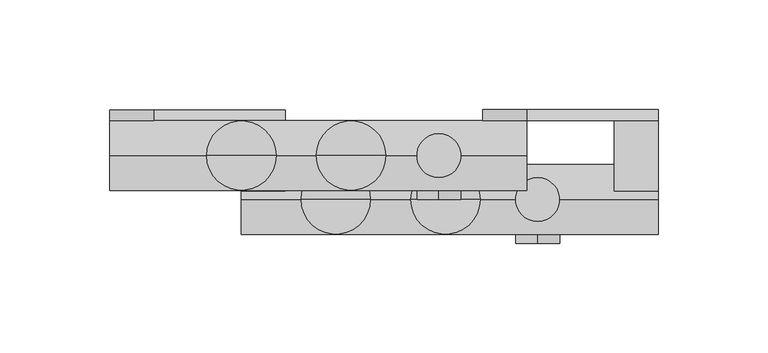
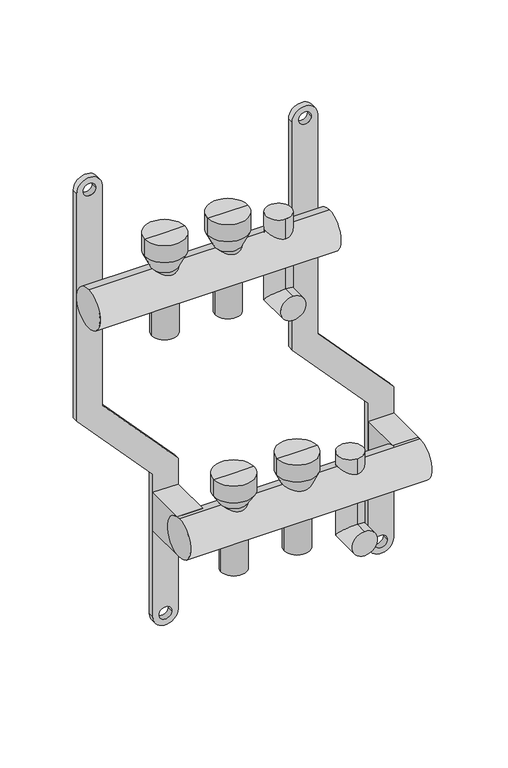
"""IFC4 building model written with IfcOpenShell, lengths in millimetres: proxy geometry."""

import ifcopenshell
import ifcopenshell.guid

model = None  # the IFC model being written
_history = None  # IfcOwnerHistory: only IFC2X3 demands one
_inside = {}  # id of a spatial element -> (the spatial element, [elements in it])
_under = {}  # id of a project, library or spatial element -> (it, [spatial elements below it])
_declared = {}  # id of a project -> (the project, [libraries it declares])
_typed = {}  # id of a type object -> (the type object, [elements of that type])
_made_of = {}  # id of a material, layer set ... -> (it, [elements and type objects made of it])


def new_model(schema):
    """Start an empty IFC model of exactly this schema.

    Asked for "IFC4X3", IfcOpenShell would pick the latest addendum, in which some entities
    have other attributes; the version numbers below select the first issue.
    IFC2X3 requires an IfcOwnerHistory on every rooted entity: one is made here for all.
    """
    global model, _history
    if schema == "IFC4X3":
        model = ifcopenshell.file(schema_version=(4, 3, 0, 0))
    else:
        model = ifcopenshell.file(schema=schema)
    _inside.clear()
    _under.clear()
    _declared.clear()
    _typed.clear()
    _made_of.clear()
    _history = None
    if model.schema == "IFC2X3":
        org = make("IfcOrganization", Name="unknown")
        user = make(
            "IfcPersonAndOrganization",
            ThePerson=make("IfcPerson", FamilyName="unknown"),
            TheOrganization=org,
        )
        app = make(
            "IfcApplication",
            ApplicationDeveloper=org,
            Version="unknown",
            ApplicationFullName="unknown",
            ApplicationIdentifier="unknown",
        )
        _history = make(
            "IfcOwnerHistory",
            OwningUser=user,
            OwningApplication=app,
            ChangeAction="ADDED",
            CreationDate=0,
        )
    return model


def make(cls, **values):
    """One entity of the class cls with the attributes given. An attribute that is None is left unset."""
    return model.create_entity(
        cls, **{name: value for name, value in values.items() if value is not None}
    )


def rooted(cls, **values):
    """An entity with a GlobalId (a new one), such as an element, a storey or a relation."""
    return make(cls, GlobalId=ifcopenshell.guid.new(), OwnerHistory=_history, **values)


def si_unit(unit_type, name, prefix=None):
    """IfcSIUnit, for example si_unit("LENGTHUNIT", "METRE", prefix="MILLI")."""
    return make("IfcSIUnit", UnitType=unit_type, Prefix=prefix, Name=name)


def assignment(units):
    """IfcUnitAssignment: the units of a project."""
    return None if units is None else make("IfcUnitAssignment", Units=units)


def point(xyz):
    """IfcCartesianPoint."""
    return None if xyz is None else make("IfcCartesianPoint", Coordinates=xyz)


def direction(xyz):
    """IfcDirection."""
    return None if xyz is None else make("IfcDirection", DirectionRatios=xyz)


def frame(location, z_axis=None, x_axis=None):
    """IfcAxis2Placement3D, a coordinate frame: its origin and axes. An axis left out is left unset."""
    return make(
        "IfcAxis2Placement3D",
        Location=point(location),
        Axis=direction(z_axis),
        RefDirection=direction(x_axis),
    )


def frame_2d(location, x_axis=None):
    """IfcAxis2Placement2D, a coordinate frame in the plane: its origin and x axis."""
    return make(
        "IfcAxis2Placement2D", Location=point(location), RefDirection=direction(x_axis)
    )


def origin():
    """The frame at (0, 0, 0) with its axes left unset."""
    return frame((0.0, 0.0, 0.0))


def origin_2d():
    """The frame at (0, 0) in the plane with its x axis left unset."""
    return frame_2d((0.0, 0.0))


def place(relative_to, where):
    """IfcLocalPlacement: puts the frame where relative to a parent placement (None: the world)."""
    return make(
        "IfcLocalPlacement", PlacementRelTo=relative_to, RelativePlacement=where
    )


def context(
    kind, dimensions, precision=None, world=None, true_north=None, identifier=None
):
    """IfcGeometricRepresentationContext, for example the 3D "Model" context."""
    return make(
        "IfcGeometricRepresentationContext",
        ContextIdentifier=identifier,
        ContextType=kind,
        CoordinateSpaceDimension=dimensions,
        Precision=precision,
        WorldCoordinateSystem=world,
        TrueNorth=true_north,
    )


def project(units=None, contexts=None):
    """IfcProject with its units and contexts."""
    return rooted(
        "IfcProject",
        Name="project",
        RepresentationContexts=contexts,
        UnitsInContext=assignment(units),
    )


def spatial(cls, under=None, at=None, **own):
    """A site, building, storey or space (cls), placed at a placement, below another one or the project."""
    s = rooted(cls, ObjectPlacement=at, **own)
    if under is not None:
        _under.setdefault(under.id(), (under, []))[1].append(s)
    return s


def polyline(points):
    """IfcPolyline through the points."""
    return make("IfcPolyline", Points=[point(p) for p in points])


def circle_curve(where, radius):
    """IfcCircle in the frame where."""
    return make("IfcCircle", Position=where, Radius=radius)


def ellipse_curve(where, semi_axis1, semi_axis2):
    """IfcEllipse in the frame where."""
    return make(
        "IfcEllipse", Position=where, SemiAxis1=semi_axis1, SemiAxis2=semi_axis2
    )


def trimmed(basis, trim1, trim2, sense, master):
    """IfcTrimmedCurve: the piece of a basis curve between two trims."""
    return make(
        "IfcTrimmedCurve",
        BasisCurve=basis,
        Trim1=trim1,
        Trim2=trim2,
        SenseAgreement=sense,
        MasterRepresentation=master,
    )


def segment(curve, same_sense, transition):
    """IfcCompositeCurveSegment."""
    return make(
        "IfcCompositeCurveSegment",
        Transition=transition,
        SameSense=same_sense,
        ParentCurve=curve,
    )


def composite_curve(segments, self_intersect=None):
    """IfcCompositeCurve: segments joined end to end."""
    return make("IfcCompositeCurve", Segments=segments, SelfIntersect=self_intersect)


def outline(outer, holes=None, kind="AREA"):
    """IfcArbitraryClosedProfileDef: a profile drawn as a closed curve; with holes, ...WithVoids."""
    if holes is None:
        return make("IfcArbitraryClosedProfileDef", ProfileType=kind, OuterCurve=outer)
    return make(
        "IfcArbitraryProfileDefWithVoids",
        ProfileType=kind,
        OuterCurve=outer,
        InnerCurves=holes,
    )


def extrude(swept, where, along, depth):
    """IfcExtrudedAreaSolid: the profile swept, set in the frame where, extruded along a direction by depth."""
    return make(
        "IfcExtrudedAreaSolid",
        SweptArea=swept,
        Position=where,
        ExtrudedDirection=direction(along),
        Depth=depth,
    )


def shape(context_of_items, identifier, shape_type, items):
    """IfcShapeRepresentation: the items that make up one representation, for example the "Body"."""
    return make(
        "IfcShapeRepresentation",
        ContextOfItems=context_of_items,
        RepresentationIdentifier=identifier,
        RepresentationType=shape_type,
        Items=items,
    )


def source(mapping_origin, context_of_items, identifier, shape_type, items):
    """IfcRepresentationMap: a shape defined once, which mapped items show again and again."""
    return make(
        "IfcRepresentationMap",
        MappingOrigin=mapping_origin,
        MappedRepresentation=shape(context_of_items, identifier, shape_type, items),
    )


def transform(
    local_origin,
    x_axis=None,
    y_axis=None,
    z_axis=None,
    scale=None,
    scale2=None,
    scale3=None,
    uniform=True,
):
    """IfcCartesianTransformationOperator3D, or its non-uniform kind. x_axis, y_axis, z_axis: its Axis1, 2, 3."""
    if uniform:
        return make(
            "IfcCartesianTransformationOperator3D",
            Axis1=direction(x_axis),
            Axis2=direction(y_axis),
            LocalOrigin=point(local_origin),
            Scale=scale,
            Axis3=direction(z_axis),
        )
    return make(
        "IfcCartesianTransformationOperator3DnonUniform",
        Axis1=direction(x_axis),
        Axis2=direction(y_axis),
        LocalOrigin=point(local_origin),
        Scale=scale,
        Axis3=direction(z_axis),
        Scale2=scale2,
        Scale3=scale3,
    )


def mapped(mapping_source, mapping_target):
    """IfcMappedItem: shows the shape of a source again, moved by a transform."""
    return make(
        "IfcMappedItem", MappingSource=mapping_source, MappingTarget=mapping_target
    )


def made_of(thing, what):
    """Note that an element or type object is made of a material, layer set ...; save() writes the relation."""
    if what is not None:
        _made_of.setdefault(what.id(), (what, []))[1].append(thing)
    return thing


def element(
    cls,
    number,
    at=None,
    inside=None,
    cuts=None,
    type_object=None,
    material=None,
    context=None,
    identifier="Body",
    shape_type=None,
    held_by="IfcProductDefinitionShape",
    body=None,
    shapes=None,
    **own,
):
    """One element of the class cls, such as IfcWall. Its Tag is "e" and its number.

    at: its placement. inside: the storey or other place that contains it. cuts: it is an
    opening in that element (IfcRelVoidsElement). A single representation is given by context,
    identifier, shape_type and body (its items); several are given by shapes. held_by: the class
    of the entity that holds the representations. save() writes the other relations.
    """
    e = rooted(cls, Tag="e%d" % number, ObjectPlacement=at, **own)
    if body is not None:
        shapes = [shape(context, identifier, shape_type, body)]
    if shapes is not None:
        e.Representation = make(held_by, Representations=shapes)
    if inside is not None:
        _inside.setdefault(inside.id(), (inside, []))[1].append(e)
    if cuts is not None:
        rooted(
            "IfcRelVoidsElement", RelatingBuildingElement=cuts, RelatedOpeningElement=e
        )
    if type_object is not None:
        _typed.setdefault(type_object.id(), (type_object, []))[1].append(e)
    return made_of(e, material)


def aggregate(whole, parts):
    """IfcRelAggregates: a whole, such as a stair, and the parts it consists of."""
    return rooted("IfcRelAggregates", RelatingObject=whole, RelatedObjects=parts)


def save(model, path):
    """Write the relations noted so far, then the file.

    IfcRelAggregates (storeys below a building ...), IfcRelContainedInSpatialStructure (elements
    in a storey), IfcRelDefinesByType, IfcRelAssociatesMaterial and IfcRelDeclares: one each for
    every whole, place, type object, material and project.
    """
    for whole, parts in _under.values():
        aggregate(whole, parts)
    for where, things in _inside.values():
        rooted(
            "IfcRelContainedInSpatialStructure",
            RelatedElements=things,
            RelatingStructure=where,
        )
    for kind, things in _typed.values():
        rooted("IfcRelDefinesByType", RelatedObjects=things, RelatingType=kind)
    for what, things in _made_of.values():
        rooted("IfcRelAssociatesMaterial", RelatedObjects=things, RelatingMaterial=what)
    for by, libraries in _declared.values():
        rooted("IfcRelDeclares", RelatingContext=by, RelatedDefinitions=libraries)
    model.write(path)


def plane_surface(at):
    """IfcPlane: the flat surface through the origin of the frame at, square to its z axis."""
    return make("IfcPlane", Position=at)


def cylinder_surface(at, radius):
    """IfcCylindricalSurface: all points at the distance radius from the z axis of the frame at."""
    return make("IfcCylindricalSurface", Position=at, Radius=radius)


def revolved_surface(curve, axis_point, axis_direction):
    """IfcSurfaceOfRevolution: the curve turned about the line through axis_point along axis_direction."""
    return make(
        "IfcSurfaceOfRevolution",
        SweptCurve=make("IfcArbitraryOpenProfileDef", ProfileType="CURVE", Curve=curve),
        AxisPosition=make("IfcAxis1Placement", Location=point(axis_point), Axis=direction(axis_direction)),
    )


def advanced_brep(points, edges, surfaces, faces):
    """IfcAdvancedBrep: a solid bounded by faces that lie on surfaces and meet in shared edges.

    An edge is (start, end): straight between two places in points (the first is 0);
    or (start, end, curve); or (start, end, curve, False) where it runs against its curve.
    A face is (place in surfaces, loops), or (place, loops, False) where it looks against
    its surface's normal. A loop lists edges by number (the first is 1), with a minus sign
    where the edge is run from its end to its start. The first loop is the outer one.
    """
    corners = [point(p) for p in points]
    vertices = [make("IfcVertexPoint", VertexGeometry=c) for c in corners]
    made = []
    for start, end, *more in edges:
        made.append(
            make(
                "IfcEdgeCurve",
                EdgeStart=vertices[start],
                EdgeEnd=vertices[end],
                EdgeGeometry=more[0] if more else make("IfcPolyline", Points=[corners[start], corners[end]]),
                SameSense=more[1] if len(more) > 1 else True,
            )
        )
    hull = []
    for where, loops, *sense in faces:
        bounds = []
        for j, loop in enumerate(loops):
            ring = [make("IfcOrientedEdge", EdgeElement=made[abs(k) - 1], Orientation=k > 0) for k in loop]
            bounds.append(
                make(
                    "IfcFaceOuterBound" if j == 0 else "IfcFaceBound",
                    Bound=make("IfcEdgeLoop", EdgeList=ring),
                    Orientation=True,
                )
            )
        hull.append(make("IfcAdvancedFace", Bounds=bounds, FaceSurface=surfaces[where], SameSense=sense[0] if sense else True))
    return make("IfcAdvancedBrep", Outer=make("IfcClosedShell", CfsFaces=hull))


def mechanical_equipment_41bf2a8d(model_context):
    return source(origin(), model_context, "Body", "SolidModel", [
        extrude(outline(composite_curve([segment(trimmed(circle_curve(frame_2d((86.2845679, 170.0)), 10.0), [point((86.2845679, 180.0))], [point((86.2845679, 160.0))], False, "CARTESIAN"), True, "CONTINUOUS"), segment(polyline([(86.2845679, 160.0), (-103.7138261, 160.0), (-169.0329221, 220.0), (-287.9537524, 220.0)]), True, "CONTINUOUS"), segment(trimmed(circle_curve(frame_2d((-287.9537524, 230.0)), 10.0), [point((-287.9537524, 220.0))], [point((-287.9537524, 240.0))], False, "CARTESIAN"), True, "CONTINUOUS"), segment(polyline([(-287.9537524, 240.0), (-162.5345282, 240.0), (-97.2154321, 180.0), (86.2845679, 180.0)]), True, "CONTINUOUS")], self_intersect=False), holes=[composite_curve([segment(trimmed(circle_curve(frame_2d((86.2845679, 170.0)), 5.0), [point((86.2845679, 165.0))], [point((86.2845679, 175.0))], True, "CARTESIAN"), True, "CONTINUOUS"), segment(trimmed(circle_curve(frame_2d((86.2845679, 170.0)), 5.0), [point((86.2845679, 175.0))], [point((86.2845679, 165.0))], True, "CARTESIAN"), True, "CONTINUOUS")], self_intersect=False), composite_curve([segment(trimmed(circle_curve(frame_2d((-287.9537524, 230.0)), 5.0), [point((-287.9537524, 225.0))], [point((-287.9537524, 235.0))], True, "CARTESIAN"), True, "CONTINUOUS"), segment(trimmed(circle_curve(frame_2d((-287.9537524, 230.0)), 5.0), [point((-287.9537524, 235.0))], [point((-287.9537524, 225.0))], True, "CARTESIAN"), True, "CONTINUOUS")], self_intersect=False)]), frame((0.0, 16.0, 0.0), z_axis=(0.0, 1.0, 0.0), x_axis=(0.0, 0.0, 1.0)), (0.0, 0.0, 1.0), 5.0),
        advanced_brep(
        [(185.0, -40.0, -250.0), (185.0, -40.0, -230.0), (185.0, -10.0, -250.0), (185.0, -30.0, -230.0), (185.0, -10.0, -175.079492), (185.0, -30.0, -175.079492)],
        [
            (0, 1, circle_curve(frame((185.0, -40.0, -240.0), z_axis=(0.0, -1.0, 0.0), x_axis=(0.0, 0.0, 1.0)), 10.0)),
            (1, 0, circle_curve(frame((185.0, -40.0, -240.0), z_axis=(0.0, -1.0, 0.0), x_axis=(0.0, 0.0, 1.0)), 10.0)),
            (0, 2),
            (2, 3, ellipse_curve(frame((185.0, -20.0, -240.0), z_axis=(0.0, -0.7071067811865475, -0.7071067811865475), x_axis=(0.0, -0.7071067811865476, 0.7071067811865474)), 14.1421356, 10.0)),
            (3, 1),
            (3, 2, ellipse_curve(frame((185.0, -20.0, -240.0), z_axis=(0.0, -0.7071067811865475, -0.7071067811865475), x_axis=(0.0, -0.7071067811865476, 0.7071067811865474)), 14.1421356, 10.0)),
            (4, 5, circle_curve(frame((185.0, -20.0, -175.079492), z_axis=(0.0, 0.0, 1.0), x_axis=(0.0, -1.0, 0.0)), 10.0)),
            (5, 4, circle_curve(frame((185.0, -20.0, -175.079492), z_axis=(0.0, 0.0, 1.0), x_axis=(0.0, -1.0, 0.0)), 10.0)),
            (2, 4),
            (5, 3),
        ],
        [
            plane_surface(frame((185.0, -40.0, -240.0), z_axis=(0.0, -1.0, 0.0), x_axis=(1.0, 0.0, 0.0))),
            cylinder_surface(frame((185.0, -40.0, -240.0), z_axis=(0.0, -1.0, 0.0), x_axis=(0.0, 0.0, 1.0)), 10.0),
            plane_surface(frame((185.0, -20.0, -175.079492), z_axis=(0.0, 0.0, 1.0), x_axis=(1.0, 0.0, 0.0))),
            cylinder_surface(frame((185.0, -20.0, -240.0), z_axis=(0.0, 0.0, -1.0), x_axis=(0.0, -1.0, 0.0)), 10.0),
        ],
        [
            (0, [[1, 2]]),
            (1, [[-1, 3, 4, 5]]),
            (1, [[-2, -5, 6, -3]]),
            (2, [[7, 8]]),
            (3, [[-4, 9, -8, 10]]),
            (3, [[-6, -10, -7, -9]]),
        ],
    ),
        advanced_brep(
        [(140.0, -20.0, -50.0), (140.0, -20.0, -30.0), (140.0, 10.0, -50.0), (140.0, -10.0, -30.0), (140.0, 10.0, 28.420508), (140.0, -10.0, 28.420508)],
        [
            (0, 1, circle_curve(frame((140.0, -20.0, -40.0), z_axis=(0.0, -1.0, 0.0), x_axis=(0.0, 0.0, 1.0)), 10.0)),
            (1, 0, circle_curve(frame((140.0, -20.0, -40.0), z_axis=(0.0, -1.0, 0.0), x_axis=(0.0, 0.0, 1.0)), 10.0)),
            (0, 2),
            (2, 3, ellipse_curve(frame((140.0, 0.0, -40.0), z_axis=(0.0, -0.7071067811865486, -0.7071067811865464), x_axis=(0.0, -0.7071067811865466, 0.7071067811865485)), 14.1421356, 10.0)),
            (3, 1),
            (3, 2, ellipse_curve(frame((140.0, 0.0, -40.0), z_axis=(0.0, -0.7071067811865486, -0.7071067811865464), x_axis=(0.0, -0.7071067811865466, 0.7071067811865485)), 14.1421356, 10.0)),
            (4, 5, circle_curve(frame((140.0, 0.0, 28.420508), z_axis=(0.0, 0.0, 1.0), x_axis=(0.0, -1.0, 0.0)), 10.0)),
            (5, 4, circle_curve(frame((140.0, 0.0, 28.420508), z_axis=(0.0, 0.0, 1.0), x_axis=(0.0, -1.0, 0.0)), 10.0)),
            (2, 4),
            (5, 3),
        ],
        [
            plane_surface(frame((140.0, -20.0, -40.0), z_axis=(0.0, -1.0, 0.0), x_axis=(1.0, 0.0, 0.0))),
            cylinder_surface(frame((140.0, -20.0, -40.0), z_axis=(0.0, -1.0, 0.0), x_axis=(0.0, 0.0, 1.0)), 10.0),
            plane_surface(frame((140.0, 0.0, 28.420508), z_axis=(0.0, 0.0, 1.0), x_axis=(1.0, 0.0, 0.0))),
            cylinder_surface(frame((140.0, 0.0, -40.0), z_axis=(0.0, 0.0, -1.0), x_axis=(0.0, -1.0, 0.0)), 10.0),
        ],
        [
            (0, [[1, 2]]),
            (1, [[-1, 3, 4, 5]]),
            (1, [[-2, -5, 6, -3]]),
            (2, [[7, 8]]),
            (3, [[-4, 9, -8, 10]]),
            (3, [[-6, -10, -7, -9]]),
        ],
    ),
        extrude(outline(composite_curve([segment(trimmed(circle_curve(frame_2d((-20.0, -200.0)), 16.0), [point((-20.0, -216.0))], [point((-20.0, -184.0))], False, "CARTESIAN"), True, "CONTINUOUS"), segment(trimmed(circle_curve(frame_2d((-20.0, -200.0)), 16.0), [point((-20.0, -184.0))], [point((-20.0, -216.0))], False, "CARTESIAN"), True, "CONTINUOUS")], self_intersect=False)), frame((50.0, 0.0, 0.0), z_axis=(1.0, 0.0, 0.0), x_axis=(0.0, 1.0, 0.0)), (0.0, 0.0, 1.0), 190.0),
        extrude(outline(composite_curve([segment(trimmed(circle_curve(origin_2d(), 16.0), [point((0.0, -16.0))], [point((0.0, 16.0))], False, "CARTESIAN"), True, "CONTINUOUS"), segment(trimmed(circle_curve(origin_2d(), 16.0), [point((0.0, 16.0))], [point((0.0, -16.0))], False, "CARTESIAN"), True, "CONTINUOUS")], self_intersect=False)), frame((-10.0, 0.0, 0.0), z_axis=(1.0, 0.0, 0.0), x_axis=(0.0, 1.0, 0.0)), (0.0, 0.0, 1.0), 190.0),
        extrude(outline(polyline([(240.0, 16.0), (240.0, -20.0), (220.0, -20.0), (220.0, 16.0), (240.0, 16.0)])), frame((0.0, 0.0, -216.0), z_axis=(0.0, 0.0, 1.0), x_axis=(1.0, 0.0, 0.0)), (0.0, 0.0, 1.0), 32.0),
        extrude(outline(polyline([(70.0, 16.0), (70.0, -20.0), (50.0, -20.0), (50.0, 16.0), (70.0, 16.0)])), frame((0.0, 0.0, -216.0), z_axis=(0.0, 0.0, 1.0), x_axis=(1.0, 0.0, 0.0)), (0.0, 0.0, 1.0), 32.0),
        advanced_brep(
        [(108.0, 0.0, -40.0), (92.0, 0.0, -40.0), (92.0, 0.0, 16.0), (108.0, 0.0, 16.0), (110.0, 0.0, -40.0), (90.0, 0.0, -40.0), (110.0, 0.0, 16.0), (90.0, 0.0, 16.0), (115.791778, 0.0, 28.420508), (84.208222, 0.0, 28.420508), (115.791778, 0.0, 42.4712727), (84.208222, 0.0, 42.4712727), (100.0, 0.0, 42.4712727), (100.0, 0.0, 16.0)],
        [
            (0, 1, circle_curve(frame((100.0, 0.0, -40.0), z_axis=(0.0, 0.0, -1.0), x_axis=(-1.0, 0.0, 0.0)), 8.0)),
            (1, 2),
            (2, 3, circle_curve(frame((100.0, 0.0, 16.0), z_axis=(0.0, 0.0, 1.0), x_axis=(-1.0, 0.0, 0.0)), 8.0)),
            (3, 0),
            (1, 0, circle_curve(frame((100.0, 0.0, -40.0), z_axis=(0.0, 0.0, -1.0), x_axis=(-1.0, 0.0, 0.0)), 8.0)),
            (3, 2, circle_curve(frame((100.0, 0.0, 16.0), z_axis=(0.0, 0.0, 1.0), x_axis=(-1.0, 0.0, 0.0)), 8.0)),
            (4, 5, circle_curve(frame((100.0, 0.0, -40.0), z_axis=(0.0, 0.0, -1.0), x_axis=(-1.0, 0.0, 0.0)), 10.0)),
            (5, 1),
            (0, 4),
            (5, 4, circle_curve(frame((100.0, 0.0, -40.0), z_axis=(0.0, 0.0, -1.0), x_axis=(-1.0, 0.0, 0.0)), 10.0)),
            (6, 7, circle_curve(frame((100.0, 0.0, 16.0), z_axis=(0.0, 0.0, -1.0), x_axis=(-1.0, 0.0, 0.0)), 10.0)),
            (7, 5),
            (4, 6),
            (7, 6, circle_curve(frame((100.0, 0.0, 16.0), z_axis=(0.0, 0.0, -1.0), x_axis=(-1.0, 0.0, 0.0)), 10.0)),
            (8, 9, circle_curve(frame((100.0, 0.0, 28.420508), z_axis=(0.0, 0.0, -1.0), x_axis=(-1.0, 0.0, 0.0)), 15.791778)),
            (9, 7),
            (6, 8),
            (9, 8, circle_curve(frame((100.0, 0.0, 28.420508), z_axis=(0.0, 0.0, -1.0), x_axis=(-1.0, 0.0, 0.0)), 15.791778)),
            (10, 11, circle_curve(frame((100.0, 0.0, 42.4712727), z_axis=(0.0, 0.0, -1.0), x_axis=(-1.0, 0.0, 0.0)), 15.791778)),
            (11, 9),
            (8, 10),
            (11, 10, circle_curve(frame((100.0, 0.0, 42.4712727), z_axis=(0.0, 0.0, -1.0), x_axis=(-1.0, 0.0, 0.0)), 15.791778)),
            (12, 11),
            (10, 12),
            (2, 13),
            (13, 3),
        ],
        [
            revolved_surface(polyline([(92.0, 0.0, 16.0), (92.0, 0.0, -40.0)]), (100.0, 0.0, 0.0), (0.0, 0.0, 1.0)),
            plane_surface(frame((100.0, 0.0, -40.0), z_axis=(0.0, 0.0, -1.0), x_axis=(-1.0, 0.0, 0.0))),
            cylinder_surface(frame((100.0, 0.0, 0.0), z_axis=(0.0, 0.0, 1.0), x_axis=(-1.0, 0.0, 0.0)), 10.0),
            revolved_surface(polyline([(90.0, 0.0, 16.0), (84.208222, 0.0, 28.420508)]), (100.0, 0.0, 0.0), (0.0, 0.0, 1.0)),
            cylinder_surface(frame((100.0, 0.0, 0.0), z_axis=(0.0, 0.0, 1.0), x_axis=(-1.0, 0.0, 0.0)), 15.791778),
            plane_surface(frame((100.0, 0.0, 42.4712727), z_axis=(0.0, 0.0, 1.0), x_axis=(-1.0, 0.0, 0.0))),
            plane_surface(frame((100.0, 0.0, 16.0), z_axis=(0.0, 0.0, -1.0), x_axis=(-1.0, 0.0, 0.0))),
        ],
        [
            (0, [[1, 2, 3, 4]]),
            (0, [[5, -4, 6, -2]]),
            (1, [[7, 8, -1, 9]]),
            (1, [[10, -9, -5, -8]]),
            (2, [[11, 12, -7, 13]]),
            (2, [[14, -13, -10, -12]]),
            (3, [[15, 16, -11, 17]]),
            (3, [[18, -17, -14, -16]]),
            (4, [[19, 20, -15, 21]]),
            (4, [[22, -21, -18, -20]]),
            (5, [[23, -19, 24]]),
            (5, [[-24, -22, -23]]),
            (6, [[-3, 25, 26]]),
            (6, [[-6, -26, -25]]),
        ],
    ),
        advanced_brep(
        [(58.0, 0.0, -40.0), (42.0, 0.0, -40.0), (42.0, 0.0, 16.0), (58.0, 0.0, 16.0), (60.0, 0.0, -40.0), (40.0, 0.0, -40.0), (60.0, 0.0, 16.0), (40.0, 0.0, 16.0), (65.791778, 0.0, 28.420508), (34.208222, 0.0, 28.420508), (65.791778, 0.0, 42.4712727), (34.208222, 0.0, 42.4712727), (50.0, 0.0, 42.4712727), (50.0, 0.0, 16.0)],
        [
            (0, 1, circle_curve(frame((50.0, 0.0, -40.0), z_axis=(0.0, 0.0, -1.0), x_axis=(-1.0, 0.0, 0.0)), 8.0)),
            (1, 2),
            (2, 3, circle_curve(frame((50.0, 0.0, 16.0), z_axis=(0.0, 0.0, 1.0), x_axis=(-1.0, 0.0, 0.0)), 8.0)),
            (3, 0),
            (1, 0, circle_curve(frame((50.0, 0.0, -40.0), z_axis=(0.0, 0.0, -1.0), x_axis=(-1.0, 0.0, 0.0)), 8.0)),
            (3, 2, circle_curve(frame((50.0, 0.0, 16.0), z_axis=(0.0, 0.0, 1.0), x_axis=(-1.0, 0.0, 0.0)), 8.0)),
            (4, 5, circle_curve(frame((50.0, 0.0, -40.0), z_axis=(0.0, 0.0, -1.0), x_axis=(-1.0, 0.0, 0.0)), 10.0)),
            (5, 1),
            (0, 4),
            (5, 4, circle_curve(frame((50.0, 0.0, -40.0), z_axis=(0.0, 0.0, -1.0), x_axis=(-1.0, 0.0, 0.0)), 10.0)),
            (6, 7, circle_curve(frame((50.0, 0.0, 16.0), z_axis=(0.0, 0.0, -1.0), x_axis=(-1.0, 0.0, 0.0)), 10.0)),
            (7, 5),
            (4, 6),
            (7, 6, circle_curve(frame((50.0, 0.0, 16.0), z_axis=(0.0, 0.0, -1.0), x_axis=(-1.0, 0.0, 0.0)), 10.0)),
            (8, 9, circle_curve(frame((50.0, 0.0, 28.420508), z_axis=(0.0, 0.0, -1.0), x_axis=(-1.0, 0.0, 0.0)), 15.791778)),
            (9, 7),
            (6, 8),
            (9, 8, circle_curve(frame((50.0, 0.0, 28.420508), z_axis=(0.0, 0.0, -1.0), x_axis=(-1.0, 0.0, 0.0)), 15.791778)),
            (10, 11, circle_curve(frame((50.0, 0.0, 42.4712727), z_axis=(0.0, 0.0, -1.0), x_axis=(-1.0, 0.0, 0.0)), 15.791778)),
            (11, 9),
            (8, 10),
            (11, 10, circle_curve(frame((50.0, 0.0, 42.4712727), z_axis=(0.0, 0.0, -1.0), x_axis=(-1.0, 0.0, 0.0)), 15.791778)),
            (12, 11),
            (10, 12),
            (2, 13),
            (13, 3),
        ],
        [
            revolved_surface(polyline([(42.0, 0.0, 16.0), (42.0, 0.0, -40.0)]), (50.0, 0.0, 0.0), (0.0, 0.0, 1.0)),
            plane_surface(frame((50.0, 0.0, -40.0), z_axis=(0.0, 0.0, -1.0), x_axis=(-1.0, 0.0, 0.0))),
            cylinder_surface(frame((50.0, 0.0, 0.0), z_axis=(0.0, 0.0, 1.0), x_axis=(-1.0, 0.0, 0.0)), 10.0),
            revolved_surface(polyline([(40.0, 0.0, 16.0), (34.208222, 0.0, 28.420508)]), (50.0, 0.0, 0.0), (0.0, 0.0, 1.0)),
            cylinder_surface(frame((50.0, 0.0, 0.0), z_axis=(0.0, 0.0, 1.0), x_axis=(-1.0, 0.0, 0.0)), 15.791778),
            plane_surface(frame((50.0, 0.0, 42.4712727), z_axis=(0.0, 0.0, 1.0), x_axis=(-1.0, 0.0, 0.0))),
            plane_surface(frame((50.0, 0.0, 16.0), z_axis=(0.0, 0.0, -1.0), x_axis=(-1.0, 0.0, 0.0))),
        ],
        [
            (0, [[1, 2, 3, 4]]),
            (0, [[5, -4, 6, -2]]),
            (1, [[7, 8, -1, 9]]),
            (1, [[10, -9, -5, -8]]),
            (2, [[11, 12, -7, 13]]),
            (2, [[14, -13, -10, -12]]),
            (3, [[15, 16, -11, 17]]),
            (3, [[18, -17, -14, -16]]),
            (4, [[19, 20, -15, 21]]),
            (4, [[22, -21, -18, -20]]),
            (5, [[23, -19, 24]]),
            (5, [[-24, -22, -23]]),
            (6, [[-3, 25, 26]]),
            (6, [[-6, -26, -25]]),
        ],
    ),
        advanced_brep(
        [(151.0, -20.0, -240.0), (135.0, -20.0, -240.0), (135.0, -20.0, -187.5), (151.0, -20.0, -187.5), (153.0, -20.0, -240.0), (133.0, -20.0, -240.0), (153.0, -20.0, -187.5), (133.0, -20.0, -187.5), (158.791778, -20.0, -175.079492), (127.208222, -20.0, -175.079492), (158.791778, -20.0, -161.0287273), (127.208222, -20.0, -161.0287273), (143.0, -20.0, -161.0287273), (143.0, -20.0, -187.5)],
        [
            (0, 1, circle_curve(frame((143.0, -20.0, -240.0), z_axis=(0.0, 0.0, -1.0), x_axis=(-1.0, 0.0, 0.0)), 8.0)),
            (1, 2),
            (2, 3, circle_curve(frame((143.0, -20.0, -187.5), z_axis=(0.0, 0.0, 1.0), x_axis=(-1.0, 0.0, 0.0)), 8.0)),
            (3, 0),
            (1, 0, circle_curve(frame((143.0, -20.0, -240.0), z_axis=(0.0, 0.0, -1.0), x_axis=(-1.0, 0.0, 0.0)), 8.0)),
            (3, 2, circle_curve(frame((143.0, -20.0, -187.5), z_axis=(0.0, 0.0, 1.0), x_axis=(-1.0, 0.0, 0.0)), 8.0)),
            (4, 5, circle_curve(frame((143.0, -20.0, -240.0), z_axis=(0.0, 0.0, -1.0), x_axis=(-1.0, 0.0, 0.0)), 10.0)),
            (5, 1),
            (0, 4),
            (5, 4, circle_curve(frame((143.0, -20.0, -240.0), z_axis=(0.0, 0.0, -1.0), x_axis=(-1.0, 0.0, 0.0)), 10.0)),
            (6, 7, circle_curve(frame((143.0, -20.0, -187.5), z_axis=(0.0, 0.0, -1.0), x_axis=(-1.0, 0.0, 0.0)), 10.0)),
            (7, 5),
            (4, 6),
            (7, 6, circle_curve(frame((143.0, -20.0, -187.5), z_axis=(0.0, 0.0, -1.0), x_axis=(-1.0, 0.0, 0.0)), 10.0)),
            (8, 9, circle_curve(frame((143.0, -20.0, -175.079492), z_axis=(0.0, 0.0, -1.0), x_axis=(-1.0, 0.0, 0.0)), 15.791778)),
            (9, 7),
            (6, 8),
            (9, 8, circle_curve(frame((143.0, -20.0, -175.079492), z_axis=(0.0, 0.0, -1.0), x_axis=(-1.0, 0.0, 0.0)), 15.791778)),
            (10, 11, circle_curve(frame((143.0, -20.0, -161.0287273), z_axis=(0.0, 0.0, -1.0), x_axis=(-1.0, 0.0, 0.0)), 15.791778)),
            (11, 9),
            (8, 10),
            (11, 10, circle_curve(frame((143.0, -20.0, -161.0287273), z_axis=(0.0, 0.0, -1.0), x_axis=(-1.0, 0.0, 0.0)), 15.791778)),
            (12, 11),
            (10, 12),
            (2, 13),
            (13, 3),
        ],
        [
            revolved_surface(polyline([(135.0, -20.0, -187.5), (135.0, -20.0, -240.0)]), (143.0, -20.0, -200.0), (0.0, 0.0, 1.0)),
            plane_surface(frame((143.0, -20.0, -240.0), z_axis=(0.0, 0.0, -1.0), x_axis=(-1.0, 0.0, 0.0))),
            cylinder_surface(frame((143.0, -20.0, -200.0), z_axis=(0.0, 0.0, 1.0), x_axis=(-1.0, 0.0, 0.0)), 10.0),
            revolved_surface(polyline([(133.0, -20.0, -187.5), (127.208222, -20.0, -175.079492)]), (143.0, -20.0, -200.0), (0.0, 0.0, 1.0)),
            cylinder_surface(frame((143.0, -20.0, -200.0), z_axis=(0.0, 0.0, 1.0), x_axis=(-1.0, 0.0, 0.0)), 15.791778),
            plane_surface(frame((143.0, -20.0, -161.0287273), z_axis=(0.0, 0.0, 1.0), x_axis=(-1.0, 0.0, 0.0))),
            plane_surface(frame((143.0, -20.0, -187.5), z_axis=(0.0, 0.0, -1.0), x_axis=(-1.0, 0.0, 0.0))),
        ],
        [
            (0, [[1, 2, 3, 4]]),
            (0, [[5, -4, 6, -2]]),
            (1, [[7, 8, -1, 9]]),
            (1, [[10, -9, -5, -8]]),
            (2, [[11, 12, -7, 13]]),
            (2, [[14, -13, -10, -12]]),
            (3, [[15, 16, -11, 17]]),
            (3, [[18, -17, -14, -16]]),
            (4, [[19, 20, -15, 21]]),
            (4, [[22, -21, -18, -20]]),
            (5, [[23, -19, 24]]),
            (5, [[-24, -22, -23]]),
            (6, [[-3, 25, 26]]),
            (6, [[-6, -26, -25]]),
        ],
    ),
        advanced_brep(
        [(101.0, -20.0, -240.0), (85.0, -20.0, -240.0), (85.0, -20.0, -184.0), (101.0, -20.0, -184.0), (103.0, -20.0, -240.0), (83.0, -20.0, -240.0), (103.0, -20.0, -184.0), (83.0, -20.0, -184.0), (108.791778, -20.0, -175.079492), (77.208222, -20.0, -175.079492), (108.791778, -20.0, -161.0287273), (77.208222, -20.0, -161.0287273), (93.0, -20.0, -161.0287273), (93.0, -20.0, -184.0)],
        [
            (0, 1, circle_curve(frame((93.0, -20.0, -240.0), z_axis=(0.0, 0.0, -1.0), x_axis=(-1.0, 0.0, 0.0)), 8.0)),
            (1, 2),
            (2, 3, circle_curve(frame((93.0, -20.0, -184.0), z_axis=(0.0, 0.0, 1.0), x_axis=(-1.0, 0.0, 0.0)), 8.0)),
            (3, 0),
            (1, 0, circle_curve(frame((93.0, -20.0, -240.0), z_axis=(0.0, 0.0, -1.0), x_axis=(-1.0, 0.0, 0.0)), 8.0)),
            (3, 2, circle_curve(frame((93.0, -20.0, -184.0), z_axis=(0.0, 0.0, 1.0), x_axis=(-1.0, 0.0, 0.0)), 8.0)),
            (4, 5, circle_curve(frame((93.0, -20.0, -240.0), z_axis=(0.0, 0.0, -1.0), x_axis=(-1.0, 0.0, 0.0)), 10.0)),
            (5, 1),
            (0, 4),
            (5, 4, circle_curve(frame((93.0, -20.0, -240.0), z_axis=(0.0, 0.0, -1.0), x_axis=(-1.0, 0.0, 0.0)), 10.0)),
            (6, 7, circle_curve(frame((93.0, -20.0, -184.0), z_axis=(0.0, 0.0, -1.0), x_axis=(-1.0, 0.0, 0.0)), 10.0)),
            (7, 5),
            (4, 6),
            (7, 6, circle_curve(frame((93.0, -20.0, -184.0), z_axis=(0.0, 0.0, -1.0), x_axis=(-1.0, 0.0, 0.0)), 10.0)),
            (8, 9, circle_curve(frame((93.0, -20.0, -175.079492), z_axis=(0.0, 0.0, -1.0), x_axis=(-1.0, 0.0, 0.0)), 15.791778)),
            (9, 7),
            (6, 8),
            (9, 8, circle_curve(frame((93.0, -20.0, -175.079492), z_axis=(0.0, 0.0, -1.0), x_axis=(-1.0, 0.0, 0.0)), 15.791778)),
            (10, 11, circle_curve(frame((93.0, -20.0, -161.0287273), z_axis=(0.0, 0.0, -1.0), x_axis=(-1.0, 0.0, 0.0)), 15.791778)),
            (11, 9),
            (8, 10),
            (11, 10, circle_curve(frame((93.0, -20.0, -161.0287273), z_axis=(0.0, 0.0, -1.0), x_axis=(-1.0, 0.0, 0.0)), 15.791778)),
            (12, 11),
            (10, 12),
            (2, 13),
            (13, 3),
        ],
        [
            revolved_surface(polyline([(85.0, -20.0, -184.0), (85.0, -20.0, -240.0)]), (93.0, -20.0, -200.0), (0.0, 0.0, 1.0)),
            plane_surface(frame((93.0, -20.0, -240.0), z_axis=(0.0, 0.0, -1.0), x_axis=(-1.0, 0.0, 0.0))),
            cylinder_surface(frame((93.0, -20.0, -200.0), z_axis=(0.0, 0.0, 1.0), x_axis=(-1.0, 0.0, 0.0)), 10.0),
            revolved_surface(polyline([(83.0, -20.0, -184.0), (77.208222, -20.0, -175.079492)]), (93.0, -20.0, -200.0), (0.0, 0.0, 1.0)),
            cylinder_surface(frame((93.0, -20.0, -200.0), z_axis=(0.0, 0.0, 1.0), x_axis=(-1.0, 0.0, 0.0)), 15.791778),
            plane_surface(frame((93.0, -20.0, -161.0287273), z_axis=(0.0, 0.0, 1.0), x_axis=(-1.0, 0.0, 0.0))),
            plane_surface(frame((93.0, -20.0, -184.0), z_axis=(0.0, 0.0, -1.0), x_axis=(-1.0, 0.0, 0.0))),
        ],
        [
            (0, [[1, 2, 3, 4]]),
            (0, [[5, -4, 6, -2]]),
            (1, [[7, 8, -1, 9]]),
            (1, [[10, -9, -5, -8]]),
            (2, [[11, 12, -7, 13]]),
            (2, [[14, -13, -10, -12]]),
            (3, [[15, 16, -11, 17]]),
            (3, [[18, -17, -14, -16]]),
            (4, [[19, 20, -15, 21]]),
            (4, [[22, -21, -18, -20]]),
            (5, [[23, -19, 24]]),
            (5, [[-24, -22, -23]]),
            (6, [[-3, 25, 26]]),
            (6, [[-6, -26, -25]]),
        ],
    ),
        extrude(outline(composite_curve([segment(trimmed(circle_curve(frame_2d((86.2845679, 0.0)), 10.0), [point((86.2845679, 10.0))], [point((86.2845679, -10.0))], False, "CARTESIAN"), True, "CONTINUOUS"), segment(polyline([(86.2845679, -10.0), (-103.7138261, -10.0), (-169.0329221, 50.0), (-287.9537524, 50.0)]), True, "CONTINUOUS"), segment(trimmed(circle_curve(frame_2d((-287.9537524, 60.0)), 10.0), [point((-287.9537524, 50.0))], [point((-287.9537524, 70.0))], False, "CARTESIAN"), True, "CONTINUOUS"), segment(polyline([(-287.9537524, 70.0), (-162.5345282, 70.0), (-97.2154321, 10.0), (86.2845679, 10.0)]), True, "CONTINUOUS")], self_intersect=False), holes=[composite_curve([segment(trimmed(circle_curve(frame_2d((86.2845679, 0.0)), 5.0), [point((86.2845679, -5.0))], [point((86.2845679, 5.0))], True, "CARTESIAN"), True, "CONTINUOUS"), segment(trimmed(circle_curve(frame_2d((86.2845679, 0.0)), 5.0), [point((86.2845679, 5.0))], [point((86.2845679, -5.0))], True, "CARTESIAN"), True, "CONTINUOUS")], self_intersect=False), composite_curve([segment(trimmed(circle_curve(frame_2d((-287.9537524, 60.0)), 5.0), [point((-287.9537524, 55.0))], [point((-287.9537524, 65.0))], True, "CARTESIAN"), True, "CONTINUOUS"), segment(trimmed(circle_curve(frame_2d((-287.9537524, 60.0)), 5.0), [point((-287.9537524, 65.0))], [point((-287.9537524, 55.0))], True, "CARTESIAN"), True, "CONTINUOUS")], self_intersect=False)]), frame((0.0, 16.0, 0.0), z_axis=(0.0, 1.0, 0.0), x_axis=(0.0, 0.0, 1.0)), (0.0, 0.0, 1.0), 4.847249),
    ])


if __name__ == "__main__":
    model = new_model("IFC4")
    model_context = context("Model", 3, world=origin())
    ifc_project = project(units=[si_unit("LENGTHUNIT", "METRE", prefix="MILLI")], contexts=[model_context])
    site = spatial("IfcSite", under=ifc_project)
    building = spatial("IfcBuilding", under=site)
    placement = place(None, origin())
    mechanical_equipment_shape = mechanical_equipment_41bf2a8d(model_context)
    element("IfcBuildingElementProxy", 1, Name="Mechanical Equipment", at=placement, inside=building, context=model_context, shape_type="MappedRepresentation", body=[
        mapped(mechanical_equipment_shape, transform((0.0, 0.0, 0.0), x_axis=(1.0, 0.0, 0.0), y_axis=(0.0, 1.0, 0.0), z_axis=(0.0, 0.0, 1.0))),
    ])
    save(model, "model.ifc")
